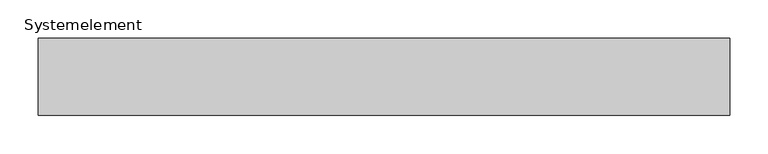
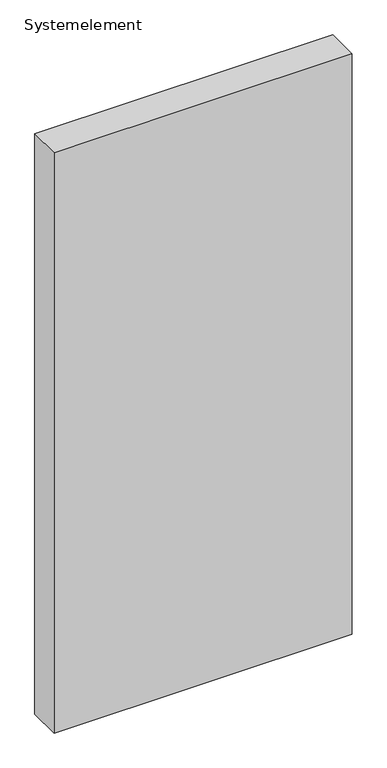
"""IFC4 building model written with IfcOpenShell, lengths in millimetres: plate geometry, Systemelement."""

from ifc_helpers import new_model, si_unit, origin, origin_with_axes, place, context, project, spatial, polyline, outline, extrude, source, transform, mapped, element, save


def systemelement_43b5d11d(model_context):
    return source(origin(), model_context, "Body", "SweptSolid", [
        extrude(outline(polyline([(450.0, -100.0), (-450.0, -100.0), (-450.0, 0.0), (450.0, 0.0), (450.0, -100.0)])), origin_with_axes(), (0.0, 0.0, 1.0), 1851.6147161),
    ])


if __name__ == "__main__":
    model = new_model("IFC4")
    model_context = context("Model", 3, world=origin())
    ifc_project = project(units=[si_unit("LENGTHUNIT", "METRE", prefix="MILLI")], contexts=[model_context])
    site = spatial("IfcSite", under=ifc_project)
    building = spatial("IfcBuilding", under=site)
    placement = place(None, origin())
    systemelement_shape = systemelement_43b5d11d(model_context)
    element("IfcPlate", 1, ObjectType="Systemelement", at=placement, inside=building, context=model_context, shape_type="MappedRepresentation", body=[
        mapped(systemelement_shape, transform((0.0, 0.0, 0.0), x_axis=(1.0, 0.0, 0.0), y_axis=(0.0, 1.0, 0.0), z_axis=(0.0, 0.0, 1.0))),
    ])
    save(model, "model.ifc")
